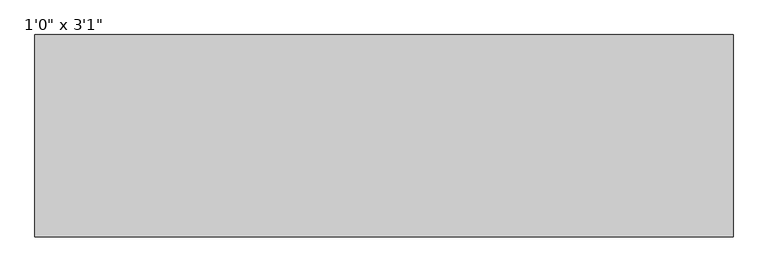
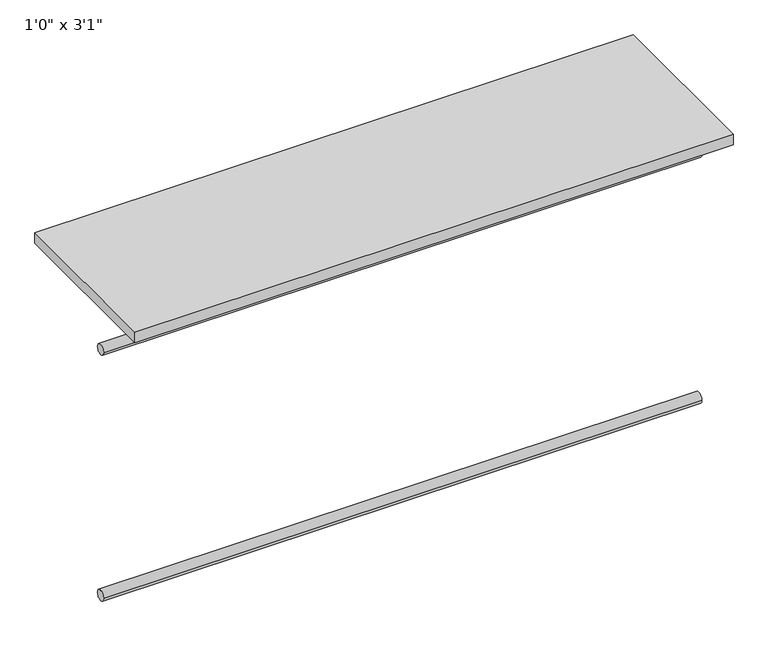
"""IFC4 building model written with IfcOpenShell, lengths in millimetres: furniture geometry."""

from ifc_helpers import new_model, si_unit, point, frame, frame_2d, origin, origin_with_axes, place, context, project, spatial, polyline, circle_curve, trimmed, segment, composite_curve, outline, extrude, source, transform, mapped, element, save


def furniture_bb9a521e(model_context):
    return source(origin(), model_context, "Body", "SweptSolid", [
        extrude(outline(composite_curve([segment(trimmed(circle_curve(frame_2d((342.9, -711.2)), 12.7), [point((330.2, -711.2))], [point((355.6, -711.2))], False, "CARTESIAN"), True, "CONTINUOUS"), segment(trimmed(circle_curve(frame_2d((342.9, -711.2)), 12.7), [point((355.6, -711.2))], [point((330.2, -711.2))], False, "CARTESIAN"), True, "CONTINUOUS")], self_intersect=False)), frame((-682.4810451, 0.0, 0.0), z_axis=(1.0, 0.0, 0.0), x_axis=(0.0, 1.0, 0.0)), (0.0, 0.0, 1.0), 1402.4375),
        extrude(outline(composite_curve([segment(trimmed(circle_curve(frame_2d((342.9, -101.6)), 12.7), [point((330.2, -101.6))], [point((355.6, -101.6))], False, "CARTESIAN"), True, "CONTINUOUS"), segment(trimmed(circle_curve(frame_2d((342.9, -101.6)), 12.7), [point((355.6, -101.6))], [point((330.2, -101.6))], False, "CARTESIAN"), True, "CONTINUOUS")], self_intersect=False)), frame((-682.4810451, 0.0, 0.0), z_axis=(1.0, 0.0, 0.0), x_axis=(0.0, 1.0, 0.0)), (0.0, 0.0, 1.0), 1402.4375),
        extrude(outline(polyline([(719.9564549, 203.2), (-682.4810451, 203.2), (-682.4810451, 609.6), (719.9564549, 609.6), (719.9564549, 203.2)])), origin_with_axes(), (0.0, 0.0, 1.0), 25.4),
    ])


if __name__ == "__main__":
    model = new_model("IFC4")
    model_context = context("Model", 3, world=origin())
    ifc_project = project(units=[si_unit("LENGTHUNIT", "METRE", prefix="MILLI")], contexts=[model_context])
    site = spatial("IfcSite", under=ifc_project)
    building = spatial("IfcBuilding", under=site)
    placement = place(None, origin())
    furniture_shape = furniture_bb9a521e(model_context)
    element("IfcFurniture", 1, ObjectType="1'0\" x 3'1\"", at=placement, inside=building, context=model_context, shape_type="MappedRepresentation", body=[
        mapped(furniture_shape, transform((0.0, 0.0, 0.0), x_axis=(1.0, 0.0, 0.0), y_axis=(0.0, 1.0, 0.0), z_axis=(0.0, 0.0, 1.0))),
    ])
    save(model, "model.ifc")
